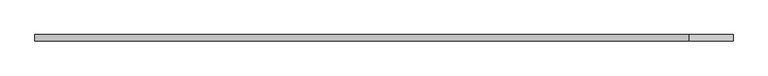
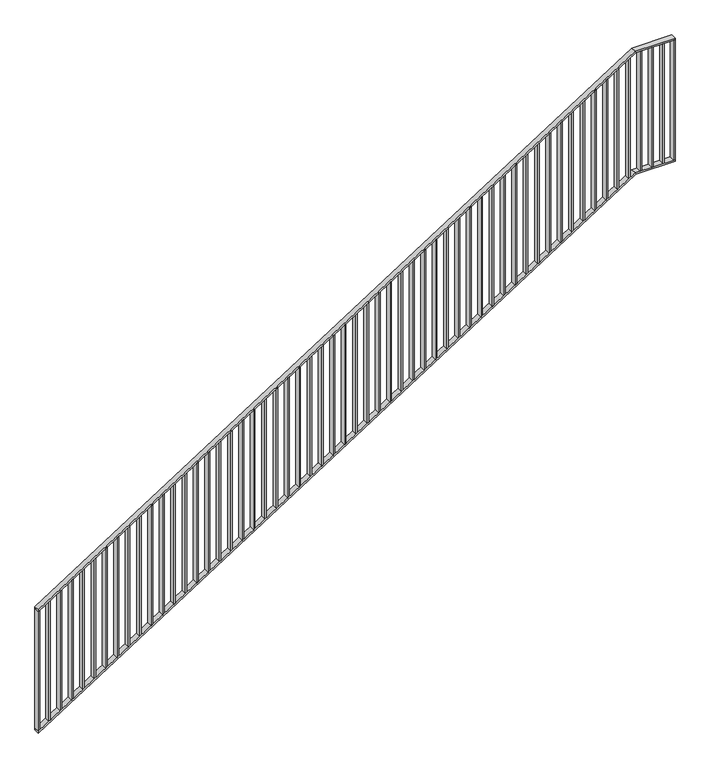
"""IFC4 building model written with IfcOpenShell, lengths in millimetres: railing geometry."""

from ifc_helpers import new_model, si_unit, frame, origin, place, context, project, spatial, polyline, outline, extrude, faceted_brep, source, transform, mapped, element, save


def railing_93c1f226(model_context):
    return source(origin(), model_context, "Body", "SolidModel", [
        faceted_brep([(80020.0, -14.6, 1178.125), (80020.0, 25.4, 1178.125), (80020.0, 25.4, 1166.2576574), (80020.0, -14.6, 1166.2576574), (84201.25, -14.6, 3850.0), (84201.25, 25.4, 3850.0), (84204.1722273, 25.4, 3840.0), (84204.1722273, -14.6, 3840.0), (84480.0, -14.6, 3850.0), (84480.0, -14.6, 3840.0), (84480.0, 25.4, 3840.0), (84480.0, 25.4, 3850.0)], [[[0, 1, 2, 3]], [[1, 0, 4, 5]], [[2, 1, 5, 6]], [[3, 2, 6, 7]], [[0, 3, 7, 4]], [[8, 9, 10, 11]], [[5, 4, 8, 11]], [[6, 5, 11, 10]], [[7, 6, 10, 9]], [[4, 7, 9, 8]]]),
        faceted_brep([(80020.0, -14.6, 278.125), (80020.0, 25.4, 278.125), (80020.0, 25.4, 266.2576574), (80020.0, -14.6, 266.2576574), (84201.25, -14.6, 2950.0), (84201.25, 25.4, 2950.0), (84204.1722273, 25.4, 2940.0), (84204.1722273, -14.6, 2940.0), (84480.0, -14.6, 2950.0), (84480.0, -14.6, 2940.0), (84480.0, 25.4, 2940.0), (84480.0, 25.4, 2950.0)], [[[0, 1, 2, 3]], [[1, 0, 4, 5]], [[2, 1, 5, 6]], [[3, 2, 6, 7]], [[0, 3, 7, 4]], [[8, 9, 10, 11]], [[5, 4, 8, 11]], [[6, 5, 11, 10]], [[7, 6, 10, 9]], [[4, 7, 9, 8]]]),
        extrude(outline(polyline([(84395.3571429, -14.6), (84395.3571429, 25.4), (84405.3571429, 25.4), (84405.3571429, -14.6), (84395.3571429, -14.6)])), frame((0.0, 0.0, 2950.0), z_axis=(0.0, 0.0, 1.0), x_axis=(1.0, 0.0, 0.0)), (0.0, 0.0, 1.0), 890.0),
        extrude(outline(polyline([(84315.7142857, -14.6), (84315.7142857, 25.4), (84325.7142857, 25.4), (84325.7142857, -14.6), (84315.7142857, -14.6)])), frame((0.0, 0.0, 2950.0), z_axis=(0.0, 0.0, 1.0), x_axis=(1.0, 0.0, 0.0)), (0.0, 0.0, 1.0), 890.0),
        extrude(outline(polyline([(84236.0714286, -14.6), (84236.0714286, 25.4), (84246.0714286, 25.4), (84246.0714286, -14.6), (84236.0714286, -14.6)])), frame((0.0, 0.0, 2950.0), z_axis=(0.0, 0.0, 1.0), x_axis=(1.0, 0.0, 0.0)), (0.0, 0.0, 1.0), 890.0),
        extrude(outline(polyline([(3811.3585042, 84156.4285714), (2921.3585042, 84156.4285714), (2927.7486387, 84166.4285714), (3817.7486387, 84166.4285714), (3811.3585042, 84156.4285714)])), frame((0.0, -14.6, 0.0), z_axis=(0.0, 1.0, 0.0), x_axis=(0.0, 0.0, 1.0)), (0.0, 0.0, 1.0), 40.0),
        extrude(outline(polyline([(3760.465647, 84076.7857143), (2870.465647, 84076.7857143), (2876.8557816, 84086.7857143), (3766.8557816, 84086.7857143), (3760.465647, 84076.7857143)])), frame((0.0, -14.6, 0.0), z_axis=(0.0, 1.0, 0.0), x_axis=(0.0, 0.0, 1.0)), (0.0, 0.0, 1.0), 40.0),
        extrude(outline(polyline([(3709.5727899, 83997.1428571), (2819.5727899, 83997.1428571), (2825.9629244, 84007.1428571), (3715.9629244, 84007.1428571), (3709.5727899, 83997.1428571)])), frame((0.0, -14.6, 0.0), z_axis=(0.0, 1.0, 0.0), x_axis=(0.0, 0.0, 1.0)), (0.0, 0.0, 1.0), 40.0),
        extrude(outline(polyline([(3658.6799327, 83917.5), (2768.6799327, 83917.5), (2775.0700673, 83927.5), (3665.0700673, 83927.5), (3658.6799327, 83917.5)])), frame((0.0, -14.6, 0.0), z_axis=(0.0, 1.0, 0.0), x_axis=(0.0, 0.0, 1.0)), (0.0, 0.0, 1.0), 40.0),
        extrude(outline(polyline([(3607.7870756, 83837.8571429), (2717.7870756, 83837.8571429), (2724.1772101, 83847.8571429), (3614.1772101, 83847.8571429), (3607.7870756, 83837.8571429)])), frame((0.0, -14.6, 0.0), z_axis=(0.0, 1.0, 0.0), x_axis=(0.0, 0.0, 1.0)), (0.0, 0.0, 1.0), 40.0),
        extrude(outline(polyline([(3556.8942184, 83758.2142857), (2666.8942184, 83758.2142857), (2673.284353, 83768.2142857), (3563.284353, 83768.2142857), (3556.8942184, 83758.2142857)])), frame((0.0, -14.6, 0.0), z_axis=(0.0, 1.0, 0.0), x_axis=(0.0, 0.0, 1.0)), (0.0, 0.0, 1.0), 40.0),
        extrude(outline(polyline([(3506.0013613, 83678.5714286), (2616.0013613, 83678.5714286), (2622.3914958, 83688.5714286), (3512.3914958, 83688.5714286), (3506.0013613, 83678.5714286)])), frame((0.0, -14.6, 0.0), z_axis=(0.0, 1.0, 0.0), x_axis=(0.0, 0.0, 1.0)), (0.0, 0.0, 1.0), 40.0),
        extrude(outline(polyline([(3455.1085042, 83598.9285714), (2565.1085042, 83598.9285714), (2571.4986387, 83608.9285714), (3461.4986387, 83608.9285714), (3455.1085042, 83598.9285714)])), frame((0.0, -14.6, 0.0), z_axis=(0.0, 1.0, 0.0), x_axis=(0.0, 0.0, 1.0)), (0.0, 0.0, 1.0), 40.0),
        extrude(outline(polyline([(3404.215647, 83519.2857143), (2514.215647, 83519.2857143), (2520.6057816, 83529.2857143), (3410.6057816, 83529.2857143), (3404.215647, 83519.2857143)])), frame((0.0, -14.6, 0.0), z_axis=(0.0, 1.0, 0.0), x_axis=(0.0, 0.0, 1.0)), (0.0, 0.0, 1.0), 40.0),
        extrude(outline(polyline([(3353.3227899, 83439.6428571), (2463.3227899, 83439.6428571), (2469.7129244, 83449.6428571), (3359.7129244, 83449.6428571), (3353.3227899, 83439.6428571)])), frame((0.0, -14.6, 0.0), z_axis=(0.0, 1.0, 0.0), x_axis=(0.0, 0.0, 1.0)), (0.0, 0.0, 1.0), 40.0),
        extrude(outline(polyline([(3302.4299327, 83360.0), (2412.4299327, 83360.0), (2418.8200673, 83370.0), (3308.8200673, 83370.0), (3302.4299327, 83360.0)])), frame((0.0, -14.6, 0.0), z_axis=(0.0, 1.0, 0.0), x_axis=(0.0, 0.0, 1.0)), (0.0, 0.0, 1.0), 40.0),
        extrude(outline(polyline([(3251.5370756, 83280.3571429), (2361.5370756, 83280.3571429), (2367.9272101, 83290.3571429), (3257.9272101, 83290.3571429), (3251.5370756, 83280.3571429)])), frame((0.0, -14.6, 0.0), z_axis=(0.0, 1.0, 0.0), x_axis=(0.0, 0.0, 1.0)), (0.0, 0.0, 1.0), 40.0),
        extrude(outline(polyline([(3200.6442184, 83200.7142857), (2310.6442184, 83200.7142857), (2317.034353, 83210.7142857), (3207.034353, 83210.7142857), (3200.6442184, 83200.7142857)])), frame((0.0, -14.6, 0.0), z_axis=(0.0, 1.0, 0.0), x_axis=(0.0, 0.0, 1.0)), (0.0, 0.0, 1.0), 40.0),
        extrude(outline(polyline([(3149.7513613, 83121.0714286), (2259.7513613, 83121.0714286), (2266.1414958, 83131.0714286), (3156.1414958, 83131.0714286), (3149.7513613, 83121.0714286)])), frame((0.0, -14.6, 0.0), z_axis=(0.0, 1.0, 0.0), x_axis=(0.0, 0.0, 1.0)), (0.0, 0.0, 1.0), 40.0),
        extrude(outline(polyline([(3098.8585042, 83041.4285714), (2208.8585042, 83041.4285714), (2215.2486387, 83051.4285714), (3105.2486387, 83051.4285714), (3098.8585042, 83041.4285714)])), frame((0.0, -14.6, 0.0), z_axis=(0.0, 1.0, 0.0), x_axis=(0.0, 0.0, 1.0)), (0.0, 0.0, 1.0), 40.0),
        extrude(outline(polyline([(3047.965647, 82961.7857143), (2157.965647, 82961.7857143), (2164.3557816, 82971.7857143), (3054.3557816, 82971.7857143), (3047.965647, 82961.7857143)])), frame((0.0, -14.6, 0.0), z_axis=(0.0, 1.0, 0.0), x_axis=(0.0, 0.0, 1.0)), (0.0, 0.0, 1.0), 40.0),
        extrude(outline(polyline([(2997.0727899, 82882.1428571), (2107.0727899, 82882.1428571), (2113.4629244, 82892.1428571), (3003.4629244, 82892.1428571), (2997.0727899, 82882.1428571)])), frame((0.0, -14.6, 0.0), z_axis=(0.0, 1.0, 0.0), x_axis=(0.0, 0.0, 1.0)), (0.0, 0.0, 1.0), 40.0),
        extrude(outline(polyline([(2946.1799327, 82802.5), (2056.1799327, 82802.5), (2062.5700673, 82812.5), (2952.5700673, 82812.5), (2946.1799327, 82802.5)])), frame((0.0, -14.6, 0.0), z_axis=(0.0, 1.0, 0.0), x_axis=(0.0, 0.0, 1.0)), (0.0, 0.0, 1.0), 40.0),
        extrude(outline(polyline([(2895.2870756, 82722.8571429), (2005.2870756, 82722.8571429), (2011.6772101, 82732.8571429), (2901.6772101, 82732.8571429), (2895.2870756, 82722.8571429)])), frame((0.0, -14.6, 0.0), z_axis=(0.0, 1.0, 0.0), x_axis=(0.0, 0.0, 1.0)), (0.0, 0.0, 1.0), 40.0),
        extrude(outline(polyline([(2844.3942184, 82643.2142857), (1954.3942184, 82643.2142857), (1960.784353, 82653.2142857), (2850.784353, 82653.2142857), (2844.3942184, 82643.2142857)])), frame((0.0, -14.6, 0.0), z_axis=(0.0, 1.0, 0.0), x_axis=(0.0, 0.0, 1.0)), (0.0, 0.0, 1.0), 40.0),
        extrude(outline(polyline([(2793.5013613, 82563.5714286), (1903.5013613, 82563.5714286), (1909.8914958, 82573.5714286), (2799.8914958, 82573.5714286), (2793.5013613, 82563.5714286)])), frame((0.0, -14.6, 0.0), z_axis=(0.0, 1.0, 0.0), x_axis=(0.0, 0.0, 1.0)), (0.0, 0.0, 1.0), 40.0),
        extrude(outline(polyline([(2742.6085042, 82483.9285714), (1852.6085042, 82483.9285714), (1858.9986387, 82493.9285714), (2748.9986387, 82493.9285714), (2742.6085042, 82483.9285714)])), frame((0.0, -14.6, 0.0), z_axis=(0.0, 1.0, 0.0), x_axis=(0.0, 0.0, 1.0)), (0.0, 0.0, 1.0), 40.0),
        extrude(outline(polyline([(2691.715647, 82404.2857143), (1801.715647, 82404.2857143), (1808.1057816, 82414.2857143), (2698.1057816, 82414.2857143), (2691.715647, 82404.2857143)])), frame((0.0, -14.6, 0.0), z_axis=(0.0, 1.0, 0.0), x_axis=(0.0, 0.0, 1.0)), (0.0, 0.0, 1.0), 40.0),
        extrude(outline(polyline([(2640.8227899, 82324.6428571), (1750.8227899, 82324.6428571), (1757.2129244, 82334.6428571), (2647.2129244, 82334.6428571), (2640.8227899, 82324.6428571)])), frame((0.0, -14.6, 0.0), z_axis=(0.0, 1.0, 0.0), x_axis=(0.0, 0.0, 1.0)), (0.0, 0.0, 1.0), 40.0),
        extrude(outline(polyline([(2589.9299327, 82245.0), (1699.9299327, 82245.0), (1706.3200673, 82255.0), (2596.3200673, 82255.0), (2589.9299327, 82245.0)])), frame((0.0, -14.6, 0.0), z_axis=(0.0, 1.0, 0.0), x_axis=(0.0, 0.0, 1.0)), (0.0, 0.0, 1.0), 40.0),
        extrude(outline(polyline([(2539.0370756, 82165.3571429), (1649.0370756, 82165.3571429), (1655.4272101, 82175.3571429), (2545.4272101, 82175.3571429), (2539.0370756, 82165.3571429)])), frame((0.0, -14.6, 0.0), z_axis=(0.0, 1.0, 0.0), x_axis=(0.0, 0.0, 1.0)), (0.0, 0.0, 1.0), 40.0),
        extrude(outline(polyline([(2488.1442184, 82085.7142857), (1598.1442184, 82085.7142857), (1604.534353, 82095.7142857), (2494.534353, 82095.7142857), (2488.1442184, 82085.7142857)])), frame((0.0, -14.6, 0.0), z_axis=(0.0, 1.0, 0.0), x_axis=(0.0, 0.0, 1.0)), (0.0, 0.0, 1.0), 40.0),
        extrude(outline(polyline([(2437.2513613, 82006.0714286), (1547.2513613, 82006.0714286), (1553.6414958, 82016.0714286), (2443.6414958, 82016.0714286), (2437.2513613, 82006.0714286)])), frame((0.0, -14.6, 0.0), z_axis=(0.0, 1.0, 0.0), x_axis=(0.0, 0.0, 1.0)), (0.0, 0.0, 1.0), 40.0),
        extrude(outline(polyline([(2386.3585042, 81926.4285714), (1496.3585042, 81926.4285714), (1502.7486387, 81936.4285714), (2392.7486387, 81936.4285714), (2386.3585042, 81926.4285714)])), frame((0.0, -14.6, 0.0), z_axis=(0.0, 1.0, 0.0), x_axis=(0.0, 0.0, 1.0)), (0.0, 0.0, 1.0), 40.0),
        extrude(outline(polyline([(2335.465647, 81846.7857143), (1445.465647, 81846.7857143), (1451.8557816, 81856.7857143), (2341.8557816, 81856.7857143), (2335.465647, 81846.7857143)])), frame((0.0, -14.6, 0.0), z_axis=(0.0, 1.0, 0.0), x_axis=(0.0, 0.0, 1.0)), (0.0, 0.0, 1.0), 40.0),
        extrude(outline(polyline([(2284.5727899, 81767.1428571), (1394.5727899, 81767.1428571), (1400.9629244, 81777.1428571), (2290.9629244, 81777.1428571), (2284.5727899, 81767.1428571)])), frame((0.0, -14.6, 0.0), z_axis=(0.0, 1.0, 0.0), x_axis=(0.0, 0.0, 1.0)), (0.0, 0.0, 1.0), 40.0),
        extrude(outline(polyline([(2233.6799327, 81687.5), (1343.6799327, 81687.5), (1350.0700673, 81697.5), (2240.0700673, 81697.5), (2233.6799327, 81687.5)])), frame((0.0, -14.6, 0.0), z_axis=(0.0, 1.0, 0.0), x_axis=(0.0, 0.0, 1.0)), (0.0, 0.0, 1.0), 40.0),
        extrude(outline(polyline([(2182.7870756, 81607.8571429), (1292.7870756, 81607.8571429), (1299.1772101, 81617.8571429), (2189.1772101, 81617.8571429), (2182.7870756, 81607.8571429)])), frame((0.0, -14.6, 0.0), z_axis=(0.0, 1.0, 0.0), x_axis=(0.0, 0.0, 1.0)), (0.0, 0.0, 1.0), 40.0),
        extrude(outline(polyline([(2131.8942184, 81528.2142857), (1241.8942184, 81528.2142857), (1248.284353, 81538.2142857), (2138.284353, 81538.2142857), (2131.8942184, 81528.2142857)])), frame((0.0, -14.6, 0.0), z_axis=(0.0, 1.0, 0.0), x_axis=(0.0, 0.0, 1.0)), (0.0, 0.0, 1.0), 40.0),
        extrude(outline(polyline([(2081.0013613, 81448.5714286), (1191.0013613, 81448.5714286), (1197.3914958, 81458.5714286), (2087.3914958, 81458.5714286), (2081.0013613, 81448.5714286)])), frame((0.0, -14.6, 0.0), z_axis=(0.0, 1.0, 0.0), x_axis=(0.0, 0.0, 1.0)), (0.0, 0.0, 1.0), 40.0),
        extrude(outline(polyline([(2030.1085042, 81368.9285714), (1140.1085042, 81368.9285714), (1146.4986387, 81378.9285714), (2036.4986387, 81378.9285714), (2030.1085042, 81368.9285714)])), frame((0.0, -14.6, 0.0), z_axis=(0.0, 1.0, 0.0), x_axis=(0.0, 0.0, 1.0)), (0.0, 0.0, 1.0), 40.0),
        extrude(outline(polyline([(1979.215647, 81289.2857143), (1089.215647, 81289.2857143), (1095.6057816, 81299.2857143), (1985.6057816, 81299.2857143), (1979.215647, 81289.2857143)])), frame((0.0, -14.6, 0.0), z_axis=(0.0, 1.0, 0.0), x_axis=(0.0, 0.0, 1.0)), (0.0, 0.0, 1.0), 40.0),
        extrude(outline(polyline([(1928.3227899, 81209.6428571), (1038.3227899, 81209.6428571), (1044.7129244, 81219.6428571), (1934.7129244, 81219.6428571), (1928.3227899, 81209.6428571)])), frame((0.0, -14.6, 0.0), z_axis=(0.0, 1.0, 0.0), x_axis=(0.0, 0.0, 1.0)), (0.0, 0.0, 1.0), 40.0),
        extrude(outline(polyline([(1877.4299327, 81130.0), (987.4299327, 81130.0), (993.8200673, 81140.0), (1883.8200673, 81140.0), (1877.4299327, 81130.0)])), frame((0.0, -14.6, 0.0), z_axis=(0.0, 1.0, 0.0), x_axis=(0.0, 0.0, 1.0)), (0.0, 0.0, 1.0), 40.0),
        extrude(outline(polyline([(1826.5370756, 81050.3571429), (936.5370756, 81050.3571429), (942.9272101, 81060.3571429), (1832.9272101, 81060.3571429), (1826.5370756, 81050.3571429)])), frame((0.0, -14.6, 0.0), z_axis=(0.0, 1.0, 0.0), x_axis=(0.0, 0.0, 1.0)), (0.0, 0.0, 1.0), 40.0),
        extrude(outline(polyline([(1775.6442184, 80970.7142857), (885.6442184, 80970.7142857), (892.034353, 80980.7142857), (1782.034353, 80980.7142857), (1775.6442184, 80970.7142857)])), frame((0.0, -14.6, 0.0), z_axis=(0.0, 1.0, 0.0), x_axis=(0.0, 0.0, 1.0)), (0.0, 0.0, 1.0), 40.0),
        extrude(outline(polyline([(1724.7513613, 80891.0714286), (834.7513613, 80891.0714286), (841.1414958, 80901.0714286), (1731.1414958, 80901.0714286), (1724.7513613, 80891.0714286)])), frame((0.0, -14.6, 0.0), z_axis=(0.0, 1.0, 0.0), x_axis=(0.0, 0.0, 1.0)), (0.0, 0.0, 1.0), 40.0),
        extrude(outline(polyline([(1673.8585042, 80811.4285714), (783.8585042, 80811.4285714), (790.2486387, 80821.4285714), (1680.2486387, 80821.4285714), (1673.8585042, 80811.4285714)])), frame((0.0, -14.6, 0.0), z_axis=(0.0, 1.0, 0.0), x_axis=(0.0, 0.0, 1.0)), (0.0, 0.0, 1.0), 40.0),
        extrude(outline(polyline([(1622.965647, 80731.7857143), (732.965647, 80731.7857143), (739.3557816, 80741.7857143), (1629.3557816, 80741.7857143), (1622.965647, 80731.7857143)])), frame((0.0, -14.6, 0.0), z_axis=(0.0, 1.0, 0.0), x_axis=(0.0, 0.0, 1.0)), (0.0, 0.0, 1.0), 40.0),
        extrude(outline(polyline([(1572.0727899, 80652.1428571), (682.0727899, 80652.1428571), (688.4629244, 80662.1428571), (1578.4629244, 80662.1428571), (1572.0727899, 80652.1428571)])), frame((0.0, -14.6, 0.0), z_axis=(0.0, 1.0, 0.0), x_axis=(0.0, 0.0, 1.0)), (0.0, 0.0, 1.0), 40.0),
        extrude(outline(polyline([(1521.1799327, 80572.5), (631.1799327, 80572.5), (637.5700673, 80582.5), (1527.5700673, 80582.5), (1521.1799327, 80572.5)])), frame((0.0, -14.6, 0.0), z_axis=(0.0, 1.0, 0.0), x_axis=(0.0, 0.0, 1.0)), (0.0, 0.0, 1.0), 40.0),
        extrude(outline(polyline([(1470.2870756, 80492.8571429), (580.2870756, 80492.8571429), (586.6772101, 80502.8571429), (1476.6772101, 80502.8571429), (1470.2870756, 80492.8571429)])), frame((0.0, -14.6, 0.0), z_axis=(0.0, 1.0, 0.0), x_axis=(0.0, 0.0, 1.0)), (0.0, 0.0, 1.0), 40.0),
        extrude(outline(polyline([(1419.3942184, 80413.2142857), (529.3942184, 80413.2142857), (535.784353, 80423.2142857), (1425.784353, 80423.2142857), (1419.3942184, 80413.2142857)])), frame((0.0, -14.6, 0.0), z_axis=(0.0, 1.0, 0.0), x_axis=(0.0, 0.0, 1.0)), (0.0, 0.0, 1.0), 40.0),
        extrude(outline(polyline([(1368.5013613, 80333.5714286), (478.5013613, 80333.5714286), (484.8914958, 80343.5714286), (1374.8914958, 80343.5714286), (1368.5013613, 80333.5714286)])), frame((0.0, -14.6, 0.0), z_axis=(0.0, 1.0, 0.0), x_axis=(0.0, 0.0, 1.0)), (0.0, 0.0, 1.0), 40.0),
        extrude(outline(polyline([(1317.6085042, 80253.9285714), (427.6085042, 80253.9285714), (433.9986387, 80263.9285714), (1323.9986387, 80263.9285714), (1317.6085042, 80253.9285714)])), frame((0.0, -14.6, 0.0), z_axis=(0.0, 1.0, 0.0), x_axis=(0.0, 0.0, 1.0)), (0.0, 0.0, 1.0), 40.0),
        extrude(outline(polyline([(1266.715647, 80174.2857143), (376.715647, 80174.2857143), (383.1057816, 80184.2857143), (1273.1057816, 80184.2857143), (1266.715647, 80174.2857143)])), frame((0.0, -14.6, 0.0), z_axis=(0.0, 1.0, 0.0), x_axis=(0.0, 0.0, 1.0)), (0.0, 0.0, 1.0), 40.0),
        extrude(outline(polyline([(1215.8227899, 80094.6428571), (325.8227899, 80094.6428571), (332.2129244, 80104.6428571), (1222.2129244, 80104.6428571), (1215.8227899, 80094.6428571)])), frame((0.0, -14.6, 0.0), z_axis=(0.0, 1.0, 0.0), x_axis=(0.0, 0.0, 1.0)), (0.0, 0.0, 1.0), 40.0),
        extrude(outline(polyline([(84470.0, -14.6), (84470.0, 25.4), (84480.0, 25.4), (84480.0, -14.6), (84470.0, -14.6)])), frame((0.0, 0.0, 2950.0), z_axis=(0.0, 0.0, 1.0), x_axis=(1.0, 0.0, 0.0)), (0.0, 0.0, 1.0), 890.0),
        extrude(outline(polyline([(1168.125, 80020.0), (278.125, 80020.0), (284.5151345, 80030.0), (1174.5151345, 80030.0), (1168.125, 80020.0)])), frame((0.0, -14.6, 0.0), z_axis=(0.0, 1.0, 0.0), x_axis=(0.0, 0.0, 1.0)), (0.0, 0.0, 1.0), 40.0),
    ])


if __name__ == "__main__":
    model = new_model("IFC4")
    model_context = context("Model", 3, world=origin())
    ifc_project = project(units=[si_unit("LENGTHUNIT", "METRE", prefix="MILLI")], contexts=[model_context])
    site = spatial("IfcSite", under=ifc_project)
    building = spatial("IfcBuilding", under=site)
    placement = place(None, origin())
    railing_shape = railing_93c1f226(model_context)
    element("IfcRailing", 1, at=placement, inside=building, context=model_context, shape_type="MappedRepresentation", body=[
        mapped(railing_shape, transform((0.0, 0.0, 0.0), x_axis=(1.0, 0.0, 0.0), y_axis=(0.0, 1.0, 0.0), z_axis=(0.0, 0.0, 1.0))),
    ])
    save(model, "model.ifc")
